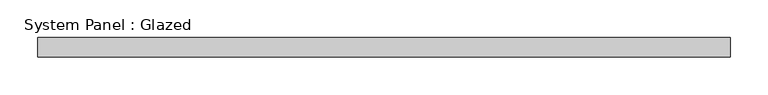
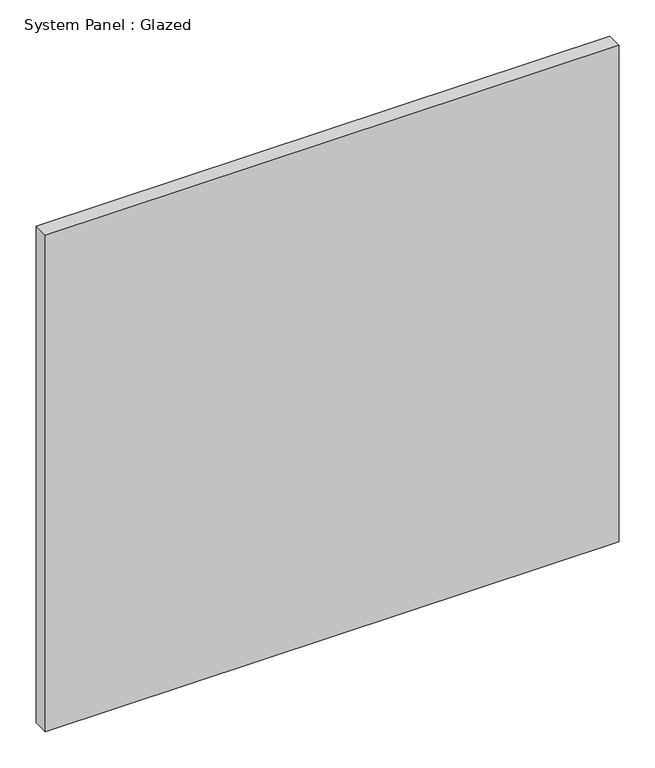
"""IFC4 building model written with IfcOpenShell, lengths in millimetres: plate geometry, System Panel : Glazed."""

from ifc_helpers import new_model, si_unit, origin, origin_with_axes, place, context, project, spatial, polyline, outline, extrude, source, transform, mapped, element, save


def system_panel_glazed_4941eef5(model_context):
    return source(origin(), model_context, "Body", "SweptSolid", [
        extrude(outline(polyline([(457.3, 19.05), (-457.3, 19.05), (-457.3, 44.45), (457.3, 44.45), (457.3, 19.05)])), origin_with_axes(), (0.0, 0.0, 1.0), 836.5),
    ])


if __name__ == "__main__":
    model = new_model("IFC4")
    model_context = context("Model", 3, world=origin())
    ifc_project = project(units=[si_unit("LENGTHUNIT", "METRE", prefix="MILLI")], contexts=[model_context])
    site = spatial("IfcSite", under=ifc_project)
    building = spatial("IfcBuilding", under=site)
    placement = place(None, origin())
    system_panel_glazed_shape = system_panel_glazed_4941eef5(model_context)
    element("IfcPlate", 1, ObjectType="System Panel : Glazed", at=placement, inside=building, context=model_context, shape_type="MappedRepresentation", body=[
        mapped(system_panel_glazed_shape, transform((0.0, 0.0, 0.0), x_axis=(1.0, 0.0, 0.0), y_axis=(0.0, 1.0, 0.0), z_axis=(0.0, 0.0, 1.0))),
    ])
    save(model, "model.ifc")
